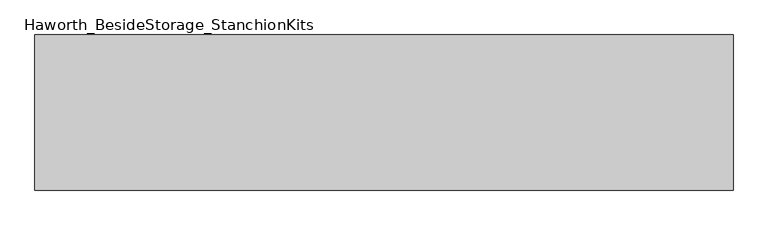
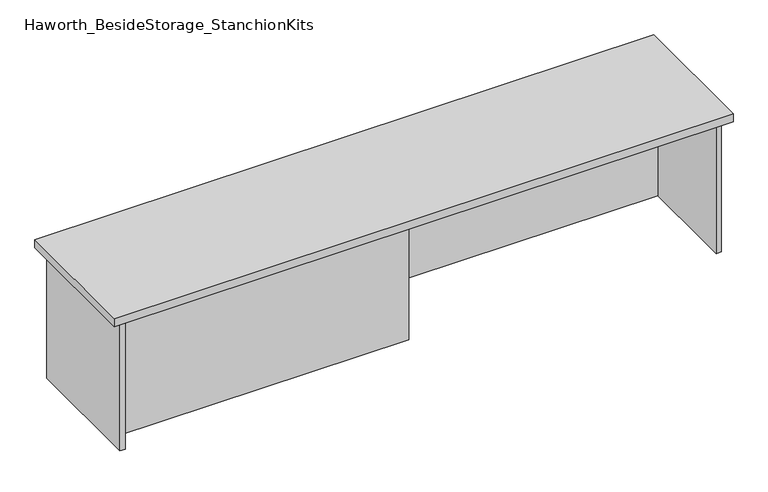
"""IFC4 building model written with IfcOpenShell, lengths in millimetres: furniture geometry, Haworth_BesideStorage_StanchionKits."""

import ifcopenshell
import ifcopenshell.guid

model = None  # the IFC model being written
_history = None  # IfcOwnerHistory: only IFC2X3 demands one
_inside = {}  # id of a spatial element -> (the spatial element, [elements in it])
_under = {}  # id of a project, library or spatial element -> (it, [spatial elements below it])
_declared = {}  # id of a project -> (the project, [libraries it declares])
_typed = {}  # id of a type object -> (the type object, [elements of that type])
_made_of = {}  # id of a material, layer set ... -> (it, [elements and type objects made of it])


def new_model(schema):
    """Start an empty IFC model of exactly this schema.

    Asked for "IFC4X3", IfcOpenShell would pick the latest addendum, in which some entities
    have other attributes; the version numbers below select the first issue.
    IFC2X3 requires an IfcOwnerHistory on every rooted entity: one is made here for all.
    """
    global model, _history
    if schema == "IFC4X3":
        model = ifcopenshell.file(schema_version=(4, 3, 0, 0))
    else:
        model = ifcopenshell.file(schema=schema)
    _inside.clear()
    _under.clear()
    _declared.clear()
    _typed.clear()
    _made_of.clear()
    _history = None
    if model.schema == "IFC2X3":
        org = make("IfcOrganization", Name="unknown")
        user = make(
            "IfcPersonAndOrganization",
            ThePerson=make("IfcPerson", FamilyName="unknown"),
            TheOrganization=org,
        )
        app = make(
            "IfcApplication",
            ApplicationDeveloper=org,
            Version="unknown",
            ApplicationFullName="unknown",
            ApplicationIdentifier="unknown",
        )
        _history = make(
            "IfcOwnerHistory",
            OwningUser=user,
            OwningApplication=app,
            ChangeAction="ADDED",
            CreationDate=0,
        )
    return model


def make(cls, **values):
    """One entity of the class cls with the attributes given. An attribute that is None is left unset."""
    return model.create_entity(
        cls, **{name: value for name, value in values.items() if value is not None}
    )


def rooted(cls, **values):
    """An entity with a GlobalId (a new one), such as an element, a storey or a relation."""
    return make(cls, GlobalId=ifcopenshell.guid.new(), OwnerHistory=_history, **values)


def si_unit(unit_type, name, prefix=None):
    """IfcSIUnit, for example si_unit("LENGTHUNIT", "METRE", prefix="MILLI")."""
    return make("IfcSIUnit", UnitType=unit_type, Prefix=prefix, Name=name)


def assignment(units):
    """IfcUnitAssignment: the units of a project."""
    return None if units is None else make("IfcUnitAssignment", Units=units)


def point(xyz):
    """IfcCartesianPoint."""
    return None if xyz is None else make("IfcCartesianPoint", Coordinates=xyz)


def direction(xyz):
    """IfcDirection."""
    return None if xyz is None else make("IfcDirection", DirectionRatios=xyz)


def frame(location, z_axis=None, x_axis=None):
    """IfcAxis2Placement3D, a coordinate frame: its origin and axes. An axis left out is left unset."""
    return make(
        "IfcAxis2Placement3D",
        Location=point(location),
        Axis=direction(z_axis),
        RefDirection=direction(x_axis),
    )


def origin():
    """The frame at (0, 0, 0) with its axes left unset."""
    return frame((0.0, 0.0, 0.0))


def place(relative_to, where):
    """IfcLocalPlacement: puts the frame where relative to a parent placement (None: the world)."""
    return make(
        "IfcLocalPlacement", PlacementRelTo=relative_to, RelativePlacement=where
    )


def context(
    kind, dimensions, precision=None, world=None, true_north=None, identifier=None
):
    """IfcGeometricRepresentationContext, for example the 3D "Model" context."""
    return make(
        "IfcGeometricRepresentationContext",
        ContextIdentifier=identifier,
        ContextType=kind,
        CoordinateSpaceDimension=dimensions,
        Precision=precision,
        WorldCoordinateSystem=world,
        TrueNorth=true_north,
    )


def project(units=None, contexts=None):
    """IfcProject with its units and contexts."""
    return rooted(
        "IfcProject",
        Name="project",
        RepresentationContexts=contexts,
        UnitsInContext=assignment(units),
    )


def spatial(cls, under=None, at=None, **own):
    """A site, building, storey or space (cls), placed at a placement, below another one or the project."""
    s = rooted(cls, ObjectPlacement=at, **own)
    if under is not None:
        _under.setdefault(under.id(), (under, []))[1].append(s)
    return s


def polyline(points):
    """IfcPolyline through the points."""
    return make("IfcPolyline", Points=[point(p) for p in points])


def outline(outer, holes=None, kind="AREA"):
    """IfcArbitraryClosedProfileDef: a profile drawn as a closed curve; with holes, ...WithVoids."""
    if holes is None:
        return make("IfcArbitraryClosedProfileDef", ProfileType=kind, OuterCurve=outer)
    return make(
        "IfcArbitraryProfileDefWithVoids",
        ProfileType=kind,
        OuterCurve=outer,
        InnerCurves=holes,
    )


def extrude(swept, where, along, depth):
    """IfcExtrudedAreaSolid: the profile swept, set in the frame where, extruded along a direction by depth."""
    return make(
        "IfcExtrudedAreaSolid",
        SweptArea=swept,
        Position=where,
        ExtrudedDirection=direction(along),
        Depth=depth,
    )


def shape(context_of_items, identifier, shape_type, items):
    """IfcShapeRepresentation: the items that make up one representation, for example the "Body"."""
    return make(
        "IfcShapeRepresentation",
        ContextOfItems=context_of_items,
        RepresentationIdentifier=identifier,
        RepresentationType=shape_type,
        Items=items,
    )


def source(mapping_origin, context_of_items, identifier, shape_type, items):
    """IfcRepresentationMap: a shape defined once, which mapped items show again and again."""
    return make(
        "IfcRepresentationMap",
        MappingOrigin=mapping_origin,
        MappedRepresentation=shape(context_of_items, identifier, shape_type, items),
    )


def transform(
    local_origin,
    x_axis=None,
    y_axis=None,
    z_axis=None,
    scale=None,
    scale2=None,
    scale3=None,
    uniform=True,
):
    """IfcCartesianTransformationOperator3D, or its non-uniform kind. x_axis, y_axis, z_axis: its Axis1, 2, 3."""
    if uniform:
        return make(
            "IfcCartesianTransformationOperator3D",
            Axis1=direction(x_axis),
            Axis2=direction(y_axis),
            LocalOrigin=point(local_origin),
            Scale=scale,
            Axis3=direction(z_axis),
        )
    return make(
        "IfcCartesianTransformationOperator3DnonUniform",
        Axis1=direction(x_axis),
        Axis2=direction(y_axis),
        LocalOrigin=point(local_origin),
        Scale=scale,
        Axis3=direction(z_axis),
        Scale2=scale2,
        Scale3=scale3,
    )


def mapped(mapping_source, mapping_target):
    """IfcMappedItem: shows the shape of a source again, moved by a transform."""
    return make(
        "IfcMappedItem", MappingSource=mapping_source, MappingTarget=mapping_target
    )


def made_of(thing, what):
    """Note that an element or type object is made of a material, layer set ...; save() writes the relation."""
    if what is not None:
        _made_of.setdefault(what.id(), (what, []))[1].append(thing)
    return thing


def element(
    cls,
    number,
    at=None,
    inside=None,
    cuts=None,
    type_object=None,
    material=None,
    context=None,
    identifier="Body",
    shape_type=None,
    held_by="IfcProductDefinitionShape",
    body=None,
    shapes=None,
    **own,
):
    """One element of the class cls, such as IfcWall. Its Tag is "e" and its number.

    at: its placement. inside: the storey or other place that contains it. cuts: it is an
    opening in that element (IfcRelVoidsElement). A single representation is given by context,
    identifier, shape_type and body (its items); several are given by shapes. held_by: the class
    of the entity that holds the representations. save() writes the other relations.
    """
    e = rooted(cls, Tag="e%d" % number, ObjectPlacement=at, **own)
    if body is not None:
        shapes = [shape(context, identifier, shape_type, body)]
    if shapes is not None:
        e.Representation = make(held_by, Representations=shapes)
    if inside is not None:
        _inside.setdefault(inside.id(), (inside, []))[1].append(e)
    if cuts is not None:
        rooted(
            "IfcRelVoidsElement", RelatingBuildingElement=cuts, RelatedOpeningElement=e
        )
    if type_object is not None:
        _typed.setdefault(type_object.id(), (type_object, []))[1].append(e)
    return made_of(e, material)


def aggregate(whole, parts):
    """IfcRelAggregates: a whole, such as a stair, and the parts it consists of."""
    return rooted("IfcRelAggregates", RelatingObject=whole, RelatedObjects=parts)


def save(model, path):
    """Write the relations noted so far, then the file.

    IfcRelAggregates (storeys below a building ...), IfcRelContainedInSpatialStructure (elements
    in a storey), IfcRelDefinesByType, IfcRelAssociatesMaterial and IfcRelDeclares: one each for
    every whole, place, type object, material and project.
    """
    for whole, parts in _under.values():
        aggregate(whole, parts)
    for where, things in _inside.values():
        rooted(
            "IfcRelContainedInSpatialStructure",
            RelatedElements=things,
            RelatingStructure=where,
        )
    for kind, things in _typed.values():
        rooted("IfcRelDefinesByType", RelatedObjects=things, RelatingType=kind)
    for what, things in _made_of.values():
        rooted("IfcRelAssociatesMaterial", RelatedObjects=things, RelatingMaterial=what)
    for by, libraries in _declared.values():
        rooted("IfcRelDeclares", RelatingContext=by, RelatedDefinitions=libraries)
    model.write(path)


def haworth_besidestorage_stanchionkits_5d6df549(model_context):
    return source(origin(), model_context, "Body", "SweptSolid", [
        extrude(outline(polyline([(1076.325, 0.0), (1076.325, -406.4), (-752.475, -406.4), (-752.475, 0.0), (1076.325, 0.0)])), frame((0.0, 0.0, 838.2), z_axis=(0.0, 0.0, 1.0), x_axis=(1.0, 0.0, 0.0)), (0.0, 0.0, 1.0), 25.4),
        extrude(outline(polyline([(161.925, -76.2), (1035.05, -76.2), (1035.05, -92.075), (161.925, -92.075), (161.925, -76.2)])), frame((0.0, 0.0, 431.8), z_axis=(0.0, 0.0, 1.0), x_axis=(1.0, 0.0, 0.0)), (0.0, 0.0, 1.0), 406.4),
        extrude(outline(polyline([(161.925, -314.325), (161.925, -330.2), (-711.2, -330.2), (-711.2, -314.325), (161.925, -314.325)])), frame((0.0, 0.0, 431.8), z_axis=(0.0, 0.0, 1.0), x_axis=(1.0, 0.0, 0.0)), (0.0, 0.0, 1.0), 406.4),
        extrude(outline(polyline([(1050.925, -390.525), (1035.05, -390.525), (1035.05, -15.875), (1050.925, -15.875), (1050.925, -390.525)])), frame((0.0, 0.0, 431.8), z_axis=(0.0, 0.0, 1.0), x_axis=(1.0, 0.0, 0.0)), (0.0, 0.0, 1.0), 406.4),
        extrude(outline(polyline([(-711.2, -390.525), (-727.075, -390.525), (-727.075, -15.875), (-711.2, -15.875), (-711.2, -390.525)])), frame((0.0, 0.0, 431.8), z_axis=(0.0, 0.0, 1.0), x_axis=(1.0, 0.0, 0.0)), (0.0, 0.0, 1.0), 406.4),
    ])


if __name__ == "__main__":
    model = new_model("IFC4")
    model_context = context("Model", 3, world=origin())
    ifc_project = project(units=[si_unit("LENGTHUNIT", "METRE", prefix="MILLI")], contexts=[model_context])
    site = spatial("IfcSite", under=ifc_project)
    building = spatial("IfcBuilding", under=site)
    placement = place(None, origin())
    haworth_besidestorage_stanchionkits_shape = haworth_besidestorage_stanchionkits_5d6df549(model_context)
    element("IfcFurniture", 1, ObjectType="Haworth_BesideStorage_StanchionKits", at=placement, inside=building, context=model_context, shape_type="MappedRepresentation", body=[
        mapped(haworth_besidestorage_stanchionkits_shape, transform((0.0, 0.0, 0.0), x_axis=(1.0, 0.0, 0.0), y_axis=(0.0, 1.0, 0.0), z_axis=(0.0, 0.0, 1.0))),
    ])
    save(model, "model.ifc")
